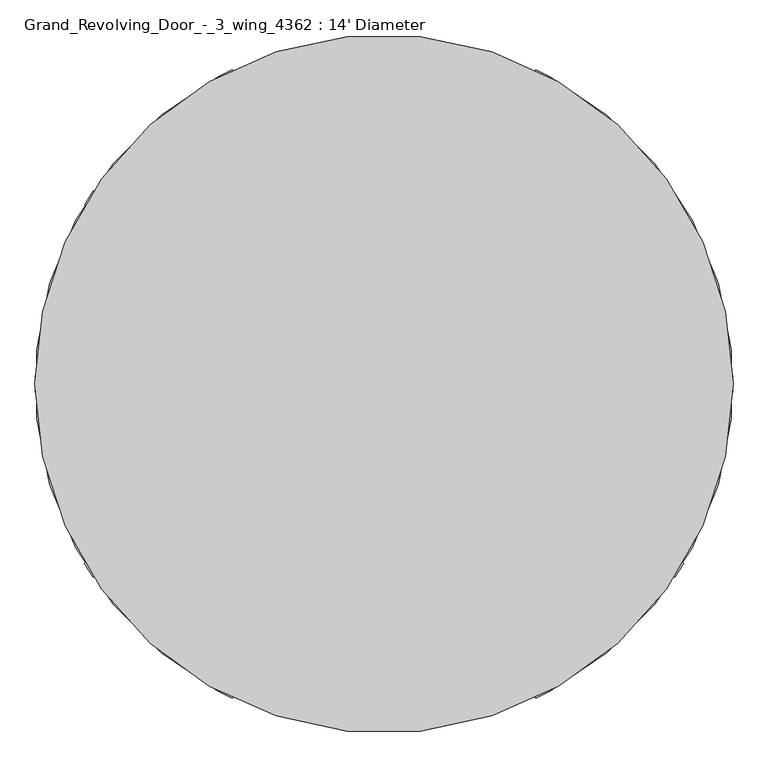
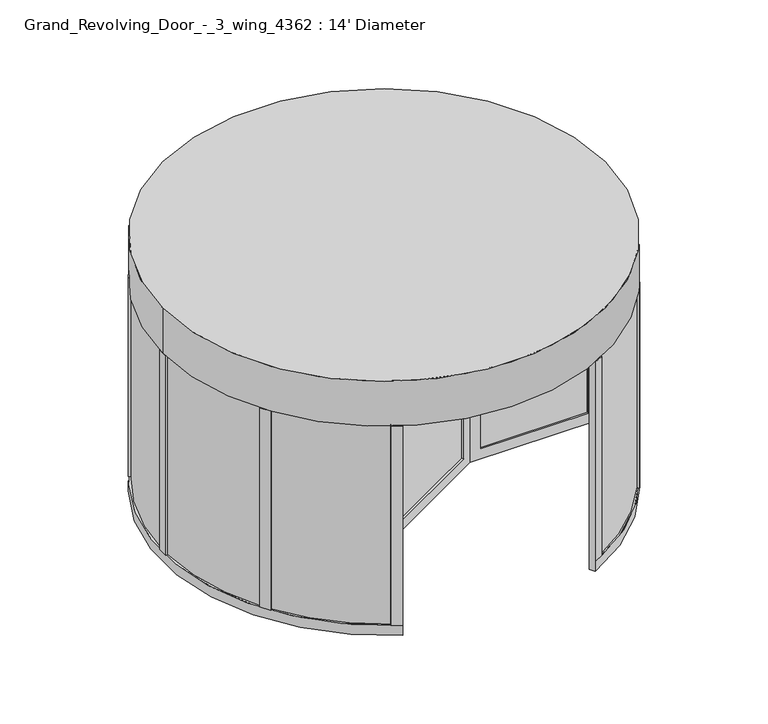
"""IFC4 building model written with IfcOpenShell, lengths in millimetres: proxy geometry, Grand_Revolving_Door_-_3_wing_4362 : 14' Diameter."""

from ifc_helpers import new_model, si_unit, point, frame, origin, origin_with_axes, origin_2d, place, context, project, spatial, polyline, circle_curve, trimmed, segment, composite_curve, outline, extrude, faceted_brep, source, transform, mapped, element, save
from ifc_brep_helpers import plane_surface, cylinder_surface, revolved_surface, advanced_brep


def grand_revolving_door_3_wing_4362_14_diameter_3c87c0e4(model_context):
    return source(origin(), model_context, "Body", "SolidModel", [
        faceted_brep([(-428.3186472, 589.4696588, 101.6), (-428.3186472, -589.3214482, 101.6), (-377.5186472, -589.3214482, 101.6), (-377.5186472, 589.4696588, 101.6), (-296.3363757, -665.6696588, 101.6), (724.6550229, -76.2, 101.6), (699.2550229, -32.2059095, 101.6), (-321.7363757, -621.6755683, 101.6), (724.6550229, 76.2, 101.6), (-296.3363757, 665.6696588, 101.6), (-321.7363757, 621.6755683, 101.6), (699.2550229, 32.2059095, 101.6), (-384.3245567, 716.4696588, 0.0), (812.6432039, 25.4, 0.0), (812.6432039, -25.4, 0.0), (-384.3245567, -716.4696588, 0.0), (-428.3186472, -691.0696588, 0.0), (-428.3186472, 691.0696588, 0.0), (-377.5186472, 653.8814778, 0.0), (-377.5186472, -653.8814778, 0.0), (755.0372944, 0.0, 0.0), (-428.3186472, 691.0696588, 2133.6), (-384.3245567, 716.4696588, 2133.6), (-428.3186472, -691.0696588, 2133.6), (-428.3186472, -589.3214482, 2133.6), (-428.3186472, 589.4696588, 2133.6), (-384.3245567, -716.4696588, 2133.6), (812.6432039, -25.4, 2133.6), (724.6550229, -76.2, 2133.6), (-296.3363757, -665.6696588, 2133.6), (812.6432039, 25.4, 2133.6), (-296.3363757, 665.6696588, 2133.6), (724.6550229, 76.2, 2133.6), (755.0372944, 0.0, 2133.6), (699.2550229, 32.2059095, 2133.6), (-321.7363757, 621.6755683, 2133.6), (-377.5186472, 653.8814778, 2133.6), (-377.5186472, -653.8814778, 2133.6), (-321.7363757, -621.6755683, 2133.6), (699.2550229, -32.2059095, 2133.6), (-377.5186472, 589.4696588, 2133.6), (-377.5186472, -589.3214482, 2133.6)], [[[0, 1, 2, 3]], [[4, 5, 6, 7]], [[8, 9, 10, 11]], [[12, 13, 14, 15, 16, 17], [18, 19, 20]], [[12, 17, 21, 22]], [[21, 17, 16, 23, 24, 1, 0, 25]], [[23, 16, 15, 26]], [[26, 15, 14, 27, 28, 5, 4, 29]], [[27, 14, 13, 30]], [[30, 13, 12, 22, 31, 9, 8, 32]], [[18, 20, 33, 34, 11, 10, 35, 36]], [[33, 20, 19, 37, 38, 7, 6, 39]], [[37, 19, 18, 36, 40, 3, 2, 41]], [[29, 38, 37, 41, 24, 23, 26]], [[39, 28, 27, 30, 32, 34, 33]], [[35, 31, 22, 21, 25, 40, 36]], [[38, 29, 4, 7]], [[24, 41, 2, 1]], [[28, 39, 6, 5]], [[34, 32, 8, 11]], [[31, 35, 10, 9]], [[40, 25, 0, 3]]]),
        advanced_brep(
        [(-479.1186472, -779.0578398, 101.6), (-999.8186472, -1680.9366953, 101.6), (-955.8245567, -1706.3366953, 101.6), (-435.1245567, -804.4578398, 101.6), (-384.3245567, -716.4696588, 0.0), (-1006.6245567, -1794.3248763, 0.0), (-1050.6186472, -1768.9248763, 0.0), (-428.3186472, -691.0696588, 0.0), (-428.3186472, -691.0696588, 2133.6), (-384.3245567, -716.4696588, 2133.6), (-1050.6186472, -1768.9248763, 101.6), (-1050.6186472, -1768.9248763, 2133.6), (-999.8186472, -1680.9366953, 2133.6), (-479.1186472, -779.0578398, 2133.6), (-1006.6245567, -1794.3248763, 101.6), (-435.1245567, -804.4578398, 2133.6), (-955.8245567, -1706.3366953, 2133.6), (-1006.6245567, -1794.3248763, 2133.6)],
        [
            (0, 1),
            (1, 2),
            (2, 3),
            (3, 0),
            (4, 5),
            (5, 6, circle_curve(frame((0.0, 0.0, 0.0), z_axis=(0.0, 0.0, -1.0), x_axis=(-0.5000000000000097, -0.8660254037844332, 0.0)), 2057.4)),
            (6, 7),
            (7, 4),
            (7, 8),
            (8, 9),
            (9, 4),
            (6, 10),
            (10, 11),
            (11, 12),
            (12, 1),
            (0, 13),
            (13, 8),
            (5, 14),
            (14, 10, circle_curve(frame((0.0, 0.0, 101.6), z_axis=(0.0, 0.0, -1.0), x_axis=(-0.5000000000000097, -0.8660254037844332, 0.0)), 2057.4)),
            (9, 15),
            (15, 3),
            (2, 16),
            (16, 17),
            (17, 14),
            (13, 15),
            (16, 12),
            (11, 17, circle_curve(frame((0.0, 0.0, 2133.6), z_axis=(0.0, 0.0, 1.0), x_axis=(1.0, 0.0, 0.0)), 2057.4)),
        ],
        [
            plane_surface(frame((-428.3186472, -691.0696588, 101.6), z_axis=(0.0, 0.0, 1.0), x_axis=(-0.8660254037844299, 0.5000000000000152, 0.0))),
            plane_surface(frame((-428.3186472, -691.0696588, 0.0), z_axis=(0.0, 0.0, -1.0), x_axis=(0.8660254037844299, -0.5000000000000152, 0.0))),
            plane_surface(frame((-384.3245567, -716.4696588, 101.6), z_axis=(0.5000000000000152, 0.8660254037844299, 0.0), x_axis=(0.0, 0.0, -1.0))),
            plane_surface(frame((-428.3186472, -691.0696588, 101.6), z_axis=(-0.86602540378443, 0.5000000000000151, 0.0), x_axis=(0.0, 0.0, -1.0))),
            cylinder_surface(frame((0.0, 0.0, 0.0), z_axis=(0.0, 0.0, 1.0), x_axis=(-0.5000000000000097, -0.8660254037844332, 0.0)), 2057.4),
            plane_surface(frame((-1006.6245567, -1794.3248763, 101.6), z_axis=(0.8660254037845383, -0.49999999999982747, 0.0), x_axis=(0.0, 0.0, -1.0))),
            plane_surface(frame((-1006.6245567, -1794.3248763, 2133.6), z_axis=(0.0, 0.0, 1.0000000000000002), x_axis=(0.5000000000005891, 0.8660254037840986, 0.0))),
            plane_surface(frame((-955.8245567, -1706.3366953, 2133.6), z_axis=(0.4999999999999209, 0.8660254037844844, 0.0), x_axis=(0.0, 0.0, -1.0))),
            cylinder_surface(frame((0.0, 0.0, 101.6), z_axis=(0.0, 0.0, 1.0), x_axis=(1.0, 0.0, 0.0)), 2057.4),
            plane_surface(frame((-479.1186472, -779.0578398, 2133.6), z_axis=(-0.49999999999994704, -0.8660254037844692, 0.0), x_axis=(0.0, 0.0, -1.0))),
        ],
        [
            (0, [[1, 2, 3, 4]]),
            (1, [[5, 6, 7, 8]]),
            (2, [[-8, 9, 10, 11]]),
            (3, [[-7, 12, 13, 14, 15, -1, 16, 17, -9]]),
            (4, [[-6, 18, 19, -12]]),
            (5, [[-5, -11, 20, 21, -3, 22, 23, 24, -18]]),
            (6, [[-10, -17, 25, -20]]),
            (6, [[-23, 26, -14, 27]]),
            (7, [[-26, -22, -2, -15]]),
            (8, [[-27, -13, -19, -24]]),
            (9, [[-25, -16, -4, -21]]),
        ],
    ),
        advanced_brep(
        [(-1050.6186472, 1768.9248763, 2133.6), (-999.8186472, 1680.9366953, 2133.6), (-955.8245567, 1706.3366953, 2133.6), (-1006.6245567, 1794.3248763, 2133.6), (-428.3186472, 691.0696588, 2133.6), (-384.3245567, 716.4696588, 2133.6), (-435.1245567, 804.4578398, 2133.6), (-479.1186472, 779.0578398, 2133.6), (-1050.6186472, 1768.9248763, 101.6), (-1050.6186472, 1768.9248763, 0.0), (-428.3186472, 691.0696588, 0.0), (-479.1186472, 779.0578398, 101.6), (-999.8186472, 1680.9366953, 101.6), (-955.8245567, 1706.3366953, 101.6), (-435.1245567, 804.4578398, 101.6), (-384.3245567, 716.4696588, 0.0), (-1006.6245567, 1794.3248763, 0.0), (-1006.6245567, 1794.3248763, 101.6)],
        [
            (0, 1),
            (1, 2),
            (2, 3),
            (3, 0, circle_curve(frame((0.0, 0.0, 2133.6), z_axis=(0.0, 0.0, 1.0), x_axis=(1.0, 0.0, 0.0)), 2057.4)),
            (4, 5),
            (5, 6),
            (6, 7),
            (7, 4),
            (0, 8),
            (8, 9),
            (9, 10),
            (10, 4),
            (7, 11),
            (11, 12),
            (12, 1),
            (12, 13),
            (13, 2),
            (13, 14),
            (14, 6),
            (5, 15),
            (15, 16),
            (16, 17),
            (17, 3),
            (17, 8, circle_curve(frame((0.0, 0.0, 101.6), z_axis=(0.0, 0.0, 1.0), x_axis=(1.0, 0.0, 0.0)), 2057.4)),
            (10, 15),
            (14, 11),
            (9, 16, circle_curve(frame((0.0, 0.0, 0.0), z_axis=(0.0, 0.0, -1.0), x_axis=(-0.4999999999999979, 0.8660254037844399, 0.0)), 2057.4)),
        ],
        [
            plane_surface(frame((-1006.6245567, -1794.3248763, 2133.6), z_axis=(0.0, 0.0, 1.0000000000000002), x_axis=(0.5000000000005891, 0.8660254037840986, 0.0))),
            plane_surface(frame((-1050.6186472, 1768.9248763, 2133.6), z_axis=(-0.8660254037844403, -0.49999999999999717, 0.0), x_axis=(0.0, 0.0, -1.0))),
            plane_surface(frame((-999.8186472, 1680.9366953, 2133.6), z_axis=(0.49999999999999617, -0.8660254037844408, 0.0), x_axis=(0.0, 0.0, -1.0))),
            plane_surface(frame((-955.8245567, 1706.3366953, 2133.6), z_axis=(0.8660254037844396, 0.4999999999999984, 0.0), x_axis=(0.0, 0.0, -1.0))),
            cylinder_surface(origin_with_axes(), 2057.4),
            plane_surface(frame((-428.3186472, 691.0696588, 2133.6), z_axis=(0.5000000000000174, -0.8660254037844286, 0.0), x_axis=(0.0, 0.0, -1.0))),
            plane_surface(frame((-435.1245567, 804.4578398, 2133.6), z_axis=(-0.5000000000000009, 0.8660254037844383, 0.0), x_axis=(0.0, 0.0, -1.0))),
            plane_surface(frame((-384.3245567, 716.4696588, 101.6), z_axis=(0.0, 0.0, 1.0), x_axis=(0.8660254037844407, 0.4999999999999965, 0.0))),
            plane_surface(frame((-384.3245567, 716.4696588, 0.0), z_axis=(0.0, 0.0, -1.0), x_axis=(-0.8660254037844407, -0.4999999999999965, 0.0))),
            cylinder_surface(frame((0.0, 0.0, 0.0), z_axis=(0.0, 0.0, 1.0), x_axis=(-0.4999999999999979, 0.8660254037844399, 0.0)), 2057.4),
        ],
        [
            (0, [[1, 2, 3, 4]]),
            (0, [[5, 6, 7, 8]]),
            (1, [[-1, 9, 10, 11, 12, -8, 13, 14, 15]]),
            (2, [[-2, -15, 16, 17]]),
            (3, [[-3, -17, 18, 19, -6, 20, 21, 22, 23]]),
            (4, [[-4, -23, 24, -9]]),
            (5, [[-20, -5, -12, 25]]),
            (6, [[-7, -19, 26, -13]]),
            (7, [[-14, -26, -18, -16]]),
            (8, [[-11, 27, -21, -25]]),
            (9, [[-27, -10, -24, -22]]),
        ],
    ),
        advanced_brep(
        [(2057.2432039, 25.4, 2133.6), (1955.6432039, 25.4, 2133.6), (1955.6432039, -25.4, 2133.6), (2057.2432039, -25.4, 2133.6), (812.6432039, 25.4, 2133.6), (812.6432039, -25.4, 2133.6), (914.2432039, -25.4, 2133.6), (914.2432039, 25.4, 2133.6), (2057.2432039, 25.4, 101.6), (2057.2432039, 25.4, 0.0), (812.6432039, 25.4, 0.0), (914.2432039, 25.4, 101.6), (1955.6432039, 25.4, 101.6), (1955.6432039, -25.4, 101.6), (914.2432039, -25.4, 101.6), (812.6432039, -25.4, 0.0), (2057.2432039, -25.4, 0.0), (2057.2432039, -25.4, 101.6)],
        [
            (0, 1),
            (1, 2),
            (2, 3),
            (3, 0, circle_curve(frame((0.0, 0.0, 2133.6), z_axis=(0.0, 0.0, 1.0), x_axis=(1.0, 0.0, 0.0)), 2057.4)),
            (4, 5),
            (5, 6),
            (6, 7),
            (7, 4),
            (0, 8),
            (8, 9),
            (9, 10),
            (10, 4),
            (7, 11),
            (11, 12),
            (12, 1),
            (12, 13),
            (13, 2),
            (13, 14),
            (14, 6),
            (5, 15),
            (15, 16),
            (16, 17),
            (17, 3),
            (17, 8, circle_curve(frame((0.0, 0.0, 101.6), z_axis=(0.0, 0.0, 1.0), x_axis=(1.0, 0.0, 0.0)), 2057.4)),
            (10, 15),
            (14, 11),
            (9, 16, circle_curve(frame((0.0, 0.0, 0.0), z_axis=(0.0, 0.0, -1.0), x_axis=(1.0, 0.0, 0.0)), 2057.4)),
        ],
        [
            plane_surface(frame((-1006.6245567, -1794.3248763, 2133.6), z_axis=(0.0, 0.0, 1.0000000000000002), x_axis=(0.5000000000005891, 0.8660254037840986, 0.0))),
            plane_surface(frame((2057.2432039, 25.4, 2133.6), z_axis=(0.0, 1.0, 0.0), x_axis=(0.0, 0.0, -1.0))),
            plane_surface(frame((1955.6432039, 25.4, 2133.6), z_axis=(-1.0, 0.0, 0.0), x_axis=(0.0, 0.0, -1.0))),
            plane_surface(frame((1955.6432039, -25.4, 2133.6), z_axis=(0.0, -1.0, 0.0), x_axis=(0.0, 0.0, -1.0))),
            cylinder_surface(origin_with_axes(), 2057.4),
            plane_surface(frame((812.6432039, 25.4, 2133.6), z_axis=(-1.0, 0.0, 0.0), x_axis=(0.0, 0.0, -1.0))),
            plane_surface(frame((914.2432039, -25.4, 2133.6), z_axis=(1.0, 0.0, 0.0), x_axis=(0.0, 0.0, -1.0))),
            plane_surface(frame((812.6432039, -25.4, 101.6), z_axis=(0.0, 0.0, 1.0), x_axis=(0.0, -1.0, 0.0))),
            plane_surface(frame((812.6432039, -25.4, 0.0), z_axis=(0.0, 0.0, -1.0), x_axis=(0.0, 1.0, 0.0))),
        ],
        [
            (0, [[1, 2, 3, 4]]),
            (0, [[5, 6, 7, 8]]),
            (1, [[-1, 9, 10, 11, 12, -8, 13, 14, 15]]),
            (2, [[-2, -15, 16, 17]]),
            (3, [[-3, -17, 18, 19, -6, 20, 21, 22, 23]]),
            (4, [[-4, -23, 24, -9]]),
            (5, [[-5, -12, 25, -20]]),
            (6, [[-7, -19, 26, -13]]),
            (7, [[-14, -26, -18, -16]]),
            (8, [[-11, 27, -21, -25]]),
            (4, [[-27, -10, -24, -22]]),
        ],
    ),
        advanced_brep(
        [(-990.5203955, -1821.74109, 101.6), (-990.5203955, 1821.74109, 101.6), (-1018.4988617, 1874.8090646, 101.6), (-1018.4988617, -1874.8090646, 101.6), (-926.9324012, -1921.7297634, 0.0), (-926.9324012, 1921.7297634, 0.0), (-900.8713732, 1867.6996605, 0.0), (-900.8713732, -1867.6996605, 0.0), (-900.8713732, -1867.6996605, 101.6), (-900.8713732, -1867.6996605, 2133.6), (-926.9324012, -1921.7297634, 2133.6), (-926.9324012, -1921.7297634, 101.6), (-900.8713732, 1867.6996605, 101.6), (-926.9324012, 1921.7297634, 101.6), (-926.9324012, 1921.7297634, 2133.6), (-900.8713732, 1867.6996605, 2133.6), (-1018.4988617, 1874.8090646, 2133.6), (-990.5203955, 1821.74109, 2133.6), (-990.5203955, -1821.74109, 2133.6), (-1018.4988617, -1874.8090646, 2133.6)],
        [
            (0, 1, circle_curve(frame((0.0, 0.0, 101.6), z_axis=(0.0, 0.0, -1.0), x_axis=(1.0, 0.0, 0.0)), 2073.6130914)),
            (1, 2),
            (2, 3, circle_curve(frame((0.0, 0.0, 101.6), z_axis=(0.0, 0.0, 1.0), x_axis=(1.0, 0.0, 0.0)), 2133.6)),
            (3, 0),
            (4, 5, circle_curve(frame((0.0, 0.0, 0.0), z_axis=(0.0, 0.0, -1.0), x_axis=(1.0, 0.0, 0.0)), 2133.6)),
            (5, 6),
            (6, 7, circle_curve(origin_with_axes(), 2073.6130914)),
            (7, 4),
            (7, 8),
            (8, 9),
            (9, 10),
            (10, 11),
            (11, 4),
            (6, 12),
            (12, 1, circle_curve(frame((0.0, 0.0, 101.6), z_axis=(0.0, 0.0, 1.0), x_axis=(1.0, 0.0, 0.0)), 2073.6130914)),
            (0, 8, circle_curve(frame((0.0, 0.0, 101.6), z_axis=(0.0, 0.0, 1.0), x_axis=(1.0, 0.0, 0.0)), 2073.6130914)),
            (5, 13),
            (13, 14),
            (14, 15),
            (15, 12),
            (11, 3, circle_curve(frame((0.0, 0.0, 101.6), z_axis=(0.0, 0.0, -1.0), x_axis=(1.0, 0.0, 0.0)), 2133.6)),
            (2, 13, circle_curve(frame((0.0, 0.0, 101.6), z_axis=(0.0, 0.0, -1.0), x_axis=(1.0, 0.0, 0.0)), 2133.6)),
            (14, 16, circle_curve(frame((0.0, 0.0, 2133.6), z_axis=(0.0, 0.0, 1.0), x_axis=(1.0, 0.0, 0.0)), 2133.6)),
            (16, 17),
            (17, 15, circle_curve(frame((0.0, 0.0, 2133.6), z_axis=(0.0, 0.0, -1.0), x_axis=(1.0, 0.0, 0.0)), 2073.6130914)),
            (9, 18, circle_curve(frame((0.0, 0.0, 2133.6), z_axis=(0.0, 0.0, -1.0), x_axis=(1.0, 0.0, 0.0)), 2073.6130914)),
            (18, 19),
            (19, 10, circle_curve(frame((0.0, 0.0, 2133.6), z_axis=(0.0, 0.0, 1.0), x_axis=(1.0, 0.0, 0.0)), 2133.6)),
            (0, 18),
            (3, 19),
            (2, 16),
            (1, 17),
        ],
        [
            plane_surface(frame((-900.8713732, -1867.6996605, 101.6), z_axis=(0.0, 0.0, 1.0), x_axis=(0.4344452574040756, 0.9006982393227526, 0.0))),
            plane_surface(frame((-900.8713732, -1867.6996605, 0.0), z_axis=(0.0, 0.0, -1.0), x_axis=(-0.4344452574040756, -0.9006982393227526, 0.0))),
            plane_surface(frame((-926.9324012, -1921.7297634, 101.6), z_axis=(0.9006982393227526, -0.4344452574040756, 0.0), x_axis=(0.0, 0.0, -1.0))),
            revolved_surface(polyline([(2073.6130914, 0.0, 0.0), (2073.6130914, 0.0, 101.6)]), (0.0, 0.0, 0.0), (0.0, 0.0, -1.0)),
            plane_surface(frame((-900.8713732, 1867.6996605, 101.6), z_axis=(0.9006982393225093, 0.4344452574045801, 0.0), x_axis=(0.0, 0.0, -1.0))),
            cylinder_surface(origin_with_axes(), 2133.6),
            plane_surface(frame((2073.6130914, 0.0, 2133.6), z_axis=(0.0, 0.0, 1.0), x_axis=(0.0, -1.0, 0.0))),
            revolved_surface(polyline([(2073.6130914, 0.0, 101.6), (2073.6130914, 0.0, 2133.6)]), (0.0, 0.0, 101.6), (0.0, 0.0, -1.0)),
            plane_surface(frame((-990.5203955, -1821.74109, 2133.6), z_axis=(-0.8845885586419875, 0.46637225680746813, 0.0), x_axis=(0.0, 0.0, -1.0))),
            cylinder_surface(frame((0.0, 0.0, 101.6), z_axis=(0.0, 0.0, 1.0), x_axis=(1.0, 0.0, 0.0)), 2133.6),
            plane_surface(frame((-1018.4988617, 1874.8090646, 2133.6), z_axis=(-0.884588558641862, -0.4663722568077061, 0.0), x_axis=(0.0, 0.0, -1.0))),
            revolved_surface(polyline([(2073.6130914, 0.0, 101.6), (2073.6130914, 0.0, 2133.6)]), (0.0, 0.0, 0.0), (0.0, 0.0, -1.0)),
        ],
        [
            (0, [[1, 2, 3, 4]]),
            (1, [[5, 6, 7, 8]]),
            (2, [[-8, 9, 10, 11, 12, 13]]),
            (3, [[-7, 14, 15, -1, 16, -9]]),
            (4, [[-6, 17, 18, 19, 20, -14]]),
            (5, [[-5, -13, 21, -3, 22, -17]]),
            (6, [[-19, 23, 24, 25]]),
            (6, [[26, 27, 28, -11]]),
            (7, [[-26, -10, -16, 29]]),
            (8, [[-27, -29, -4, 30]]),
            (9, [[-28, -30, -21, -12]]),
            (5, [[-23, -18, -22, 31]]),
            (10, [[-24, -31, -2, 32]]),
            (11, [[-25, -32, -15, -20]]),
        ],
    ),
        advanced_brep(
        [(990.5203955, 1821.74109, 101.6), (990.5203955, -1821.74109, 101.6), (1018.4988617, -1874.8090646, 101.6), (1018.4988617, 1874.8090646, 101.6), (926.9324012, 1921.7297634, 0.0), (926.9324012, -1921.7297634, 0.0), (900.8713732, -1867.6996605, 0.0), (900.8713732, 1867.6996605, 0.0), (900.8713732, 1867.6996605, 101.6), (900.8713732, 1867.6996605, 2133.6), (926.9324012, 1921.7297634, 2133.6), (926.9324012, 1921.7297634, 101.6), (900.8713732, -1867.6996605, 101.6), (926.9324012, -1921.7297634, 101.6), (926.9324012, -1921.7297634, 2133.6), (900.8713732, -1867.6996605, 2133.6), (1018.4988617, -1874.8090646, 2133.6), (990.5203955, -1821.74109, 2133.6), (990.5203955, 1821.74109, 2133.6), (1018.4988617, 1874.8090646, 2133.6)],
        [
            (0, 1, circle_curve(frame((0.0, 0.0, 101.6), z_axis=(0.0, 0.0, -1.0), x_axis=(1.0, 0.0, 0.0)), 2073.6130914)),
            (1, 2),
            (2, 3, circle_curve(frame((0.0, 0.0, 101.6), z_axis=(0.0, 0.0, 1.0), x_axis=(1.0, 0.0, 0.0)), 2133.6)),
            (3, 0),
            (4, 5, circle_curve(frame((0.0, 0.0, 0.0), z_axis=(0.0, 0.0, -1.0), x_axis=(1.0, 0.0, 0.0)), 2133.6)),
            (5, 6),
            (6, 7, circle_curve(origin_with_axes(), 2073.6130914)),
            (7, 4),
            (7, 8),
            (8, 9),
            (9, 10),
            (10, 11),
            (11, 4),
            (6, 12),
            (12, 1, circle_curve(frame((0.0, 0.0, 101.6), z_axis=(0.0, 0.0, 1.0), x_axis=(1.0, 0.0, 0.0)), 2073.6130914)),
            (0, 8, circle_curve(frame((0.0, 0.0, 101.6), z_axis=(0.0, 0.0, 1.0), x_axis=(1.0, 0.0, 0.0)), 2073.6130914)),
            (5, 13),
            (13, 14),
            (14, 15),
            (15, 12),
            (11, 3, circle_curve(frame((0.0, 0.0, 101.6), z_axis=(0.0, 0.0, -1.0), x_axis=(1.0, 0.0, 0.0)), 2133.6)),
            (2, 13, circle_curve(frame((0.0, 0.0, 101.6), z_axis=(0.0, 0.0, -1.0), x_axis=(1.0, 0.0, 0.0)), 2133.6)),
            (14, 16, circle_curve(frame((0.0, 0.0, 2133.6), z_axis=(0.0, 0.0, 1.0), x_axis=(1.0, 0.0, 0.0)), 2133.6)),
            (16, 17),
            (17, 15, circle_curve(frame((0.0, 0.0, 2133.6), z_axis=(0.0, 0.0, -1.0), x_axis=(1.0, 0.0, 0.0)), 2073.6130914)),
            (9, 18, circle_curve(frame((0.0, 0.0, 2133.6), z_axis=(0.0, 0.0, -1.0), x_axis=(1.0, 0.0, 0.0)), 2073.6130914)),
            (18, 19),
            (19, 10, circle_curve(frame((0.0, 0.0, 2133.6), z_axis=(0.0, 0.0, 1.0), x_axis=(1.0, 0.0, 0.0)), 2133.6)),
            (2, 16),
            (1, 17),
            (0, 18),
            (3, 19),
        ],
        [
            plane_surface(frame((-900.8713732, -1867.6996605, 101.6), z_axis=(0.0, 0.0, 1.0), x_axis=(0.4344452574040756, 0.9006982393227526, 0.0))),
            plane_surface(frame((-900.8713732, -1867.6996605, 0.0), z_axis=(0.0, 0.0, -1.0), x_axis=(-0.4344452574040756, -0.9006982393227526, 0.0))),
            plane_surface(frame((926.9324012, 1921.7297634, 101.6), z_axis=(-0.9006982393227515, 0.4344452574040779, 0.0), x_axis=(0.0, 0.0, -1.0))),
            revolved_surface(polyline([(2073.6130914, 0.0, 0.0), (2073.6130914, 0.0, 101.6)]), (0.0, 0.0, 0.0), (0.0, 0.0, -1.0)),
            plane_surface(frame((900.8713732, -1867.6996605, 101.6), z_axis=(-0.9006982393223231, -0.4344452574049661, 0.0), x_axis=(0.0, 0.0, -1.0))),
            cylinder_surface(origin_with_axes(), 2133.6),
            plane_surface(frame((2073.6130914, 0.0, 2133.6), z_axis=(0.0, 0.0, 1.0), x_axis=(0.0, -1.0, 0.0))),
            plane_surface(frame((1018.4988617, -1874.8090646, 2133.6), z_axis=(0.884588558638687, 0.4663722568137284, 0.0), x_axis=(0.0, 0.0, -1.0))),
            revolved_surface(polyline([(2073.6130914, 0.0, 101.6), (2073.6130914, 0.0, 2133.6)]), (0.0, 0.0, 0.0), (0.0, 0.0, -1.0)),
            plane_surface(frame((990.5203955, 1821.74109, 2133.6), z_axis=(0.8845885586385624, -0.4663722568139645, 0.0), x_axis=(0.0, 0.0, -1.0))),
        ],
        [
            (0, [[1, 2, 3, 4]]),
            (1, [[5, 6, 7, 8]]),
            (2, [[-8, 9, 10, 11, 12, 13]]),
            (3, [[-7, 14, 15, -1, 16, -9]]),
            (4, [[-6, 17, 18, 19, 20, -14]]),
            (5, [[-5, -13, 21, -3, 22, -17]]),
            (6, [[-19, 23, 24, 25]]),
            (6, [[26, 27, 28, -11]]),
            (5, [[-23, -18, -22, 29]]),
            (7, [[-24, -29, -2, 30]]),
            (8, [[-25, -30, -15, -20]]),
            (8, [[-26, -10, -16, 31]]),
            (9, [[-27, -31, -4, 32]]),
            (5, [[-28, -32, -21, -12]]),
        ],
    ),
        extrude(outline(polyline([(-479.1186472, 779.0578398), (-999.8186472, 1680.9366953), (-955.8245567, 1706.3366953), (-435.1245567, 804.4578398), (-479.1186472, 779.0578398)])), frame((0.0, 0.0, 914.4), z_axis=(0.0, 0.0, 1.0), x_axis=(1.0, 0.0, 0.0)), (0.0, 0.0, 1.0), 101.6),
        extrude(outline(polyline([(-435.1245567, -804.4578398), (-955.8245567, -1706.3366953), (-999.8186472, -1680.9366953), (-479.1186472, -779.0578398), (-435.1245567, -804.4578398)])), frame((0.0, 0.0, 914.4), z_axis=(0.0, 0.0, 1.0), x_axis=(1.0, 0.0, 0.0)), (0.0, 0.0, 1.0), 101.6),
        extrude(outline(polyline([(914.2432039, 25.4), (1955.6432039, 25.4), (1955.6432039, -25.4), (914.2432039, -25.4), (914.2432039, 25.4)])), frame((0.0, 0.0, 914.4), z_axis=(0.0, 0.0, 1.0), x_axis=(1.0, 0.0, 0.0)), (0.0, 0.0, 1.0), 101.6),
        faceted_brep([(-60.0427708, 103.9971296, 609.6), (-60.0427708, -103.9971296, 609.6), (120.0855415, 0.0, 609.6), (-377.5186472, 653.8814778, 0.0), (755.0372944, 0.0, 0.0), (-377.5186472, -653.8814778, 0.0)], [[[0, 1, 2]], [[3, 4, 5]], [[3, 5, 1, 0]], [[5, 4, 2, 1]], [[4, 3, 0, 2]]]),
        extrude(outline(composite_curve([segment(trimmed(circle_curve(origin_2d(), 50.8), [point((-50.8, 0.0))], [point((50.8, 0.0))], False, "CARTESIAN"), True, "CONTINUOUS"), segment(trimmed(circle_curve(origin_2d(), 50.8), [point((50.8, 0.0))], [point((-50.8, 0.0))], False, "CARTESIAN"), True, "CONTINUOUS")], self_intersect=False)), frame((0.0, 0.0, 609.6), z_axis=(0.0, 0.0, 1.0), x_axis=(1.0, 0.0, 0.0)), (0.0, 0.0, 1.0), 1524.0),
        extrude(outline(polyline([(-972.3223406, 1696.8116953), (-451.6223406, 794.9328398), (-462.6208633, 788.5828398), (-983.3208633, 1690.4616953), (-972.3223406, 1696.8116953)])), frame((0.0, 0.0, 101.6), z_axis=(0.0, 0.0, 1.0), x_axis=(1.0, 0.0, 0.0)), (0.0, 0.0, 1.0), 2032.0),
        extrude(outline(polyline([(708.7800229, 48.7036934), (-312.2113757, 638.1733522), (-305.8613757, 649.1718748), (715.1300229, 59.7022161), (708.7800229, 48.7036934)])), frame((0.0, 0.0, 101.6), z_axis=(0.0, 0.0, 1.0), x_axis=(1.0, 0.0, 0.0)), (0.0, 0.0, 1.0), 2032.0),
        extrude(outline(polyline([(-396.5686472, 589.4696588), (-396.5686472, -589.3214482), (-409.2686472, -589.3214482), (-409.2686472, 589.4696588), (-396.5686472, 589.4696588)])), frame((0.0, 0.0, 101.6), z_axis=(0.0, 0.0, 1.0), x_axis=(1.0, 0.0, 0.0)), (0.0, 0.0, 1.0), 2032.0),
        extrude(outline(polyline([(-312.2113757, -638.1733522), (708.7800229, -48.7036934), (715.1300229, -59.7022161), (-305.8613757, -649.1718748), (-312.2113757, -638.1733522)])), frame((0.0, 0.0, 101.6), z_axis=(0.0, 0.0, 1.0), x_axis=(1.0, 0.0, 0.0)), (0.0, 0.0, 1.0), 2032.0),
        extrude(outline(polyline([(1955.6432039, -6.35), (914.2432039, -6.35), (914.2432039, 6.35), (1955.6432039, 6.35), (1955.6432039, -6.35)])), frame((0.0, 0.0, 101.6), z_axis=(0.0, 0.0, 1.0), x_axis=(1.0, 0.0, 0.0)), (0.0, 0.0, 1.0), 2032.0),
        extrude(outline(polyline([(-983.3208633, -1690.4616953), (-462.6208633, -788.5828398), (-451.6223406, -794.9328398), (-972.3223406, -1696.8116953), (-983.3208633, -1690.4616953)])), frame((0.0, 0.0, 101.6), z_axis=(0.0, 0.0, 1.0), x_axis=(1.0, 0.0, 0.0)), (0.0, 0.0, 1.0), 2032.0),
        extrude(outline(composite_curve([segment(trimmed(circle_curve(origin_2d(), 2114.55), [point((-1761.7204786, 1169.4711017))], [point((-1009.6137738, 1857.9563316))], False, "CARTESIAN"), True, "CONTINUOUS"), segment(polyline([(-1009.6137738, 1857.9563316), (-999.7455382, 1839.2388196)]), True, "CONTINUOUS"), segment(trimmed(circle_curve(origin_2d(), 2093.3921221), [point((-999.7455382, 1839.2388196))], [point((-1744.5929149, 1157.0160493))], True, "CARTESIAN"), True, "CONTINUOUS"), segment(polyline([(-1744.5929149, 1157.0160493), (-1761.7204786, 1169.4711017)]), True, "CONTINUOUS")], self_intersect=False)), frame((0.0, 0.0, 101.6), z_axis=(0.0, 0.0, 1.0), x_axis=(1.0, 0.0, 0.0)), (0.0, 0.0, 1.0), 2032.0),
        extrude(outline(composite_curve([segment(trimmed(circle_curve(origin_2d(), 2093.3921221), [point((-1744.3467734, -1157.3871051))], [point((-999.7455382, -1839.2388196))], True, "CARTESIAN"), True, "CONTINUOUS"), segment(polyline([(-999.7455382, -1839.2388196), (-1009.6137738, -1857.9563316)]), True, "CONTINUOUS"), segment(trimmed(circle_curve(origin_2d(), 2114.55), [point((-1009.6137738, -1857.9563316))], [point((-1761.2106421, -1170.2387691))], False, "CARTESIAN"), True, "CONTINUOUS"), segment(polyline([(-1761.2106421, -1170.2387691), (-1744.3467734, -1157.3871051)]), True, "CONTINUOUS")], self_intersect=False)), frame((0.0, 0.0, 101.6), z_axis=(0.0, 0.0, 1.0), x_axis=(1.0, 0.0, 0.0)), (0.0, 0.0, 1.0), 2032.0),
        extrude(outline(composite_curve([segment(trimmed(circle_curve(origin_2d(), 2114.55), [point((1761.7204786, -1169.4711017))], [point((1009.6137738, -1857.9563316))], False, "CARTESIAN"), True, "CONTINUOUS"), segment(polyline([(1009.6137738, -1857.9563316), (999.7455382, -1839.2388196)]), True, "CONTINUOUS"), segment(trimmed(circle_curve(origin_2d(), 2093.3921221), [point((999.7455382, -1839.2388196))], [point((1744.5929149, -1157.0160493))], True, "CARTESIAN"), True, "CONTINUOUS"), segment(polyline([(1744.5929149, -1157.0160493), (1761.7204786, -1169.4711017)]), True, "CONTINUOUS")], self_intersect=False)), frame((0.0, 0.0, 101.6), z_axis=(0.0, 0.0, 1.0), x_axis=(1.0, 0.0, 0.0)), (0.0, 0.0, 1.0), 2032.0),
        extrude(outline(composite_curve([segment(trimmed(circle_curve(origin_2d(), 2093.3921221), [point((1746.9182068, 1153.5022131))], [point((999.7455382, 1839.2388196))], True, "CARTESIAN"), True, "CONTINUOUS"), segment(polyline([(999.7455382, 1839.2388196), (1009.6137738, 1857.9563316)]), True, "CONTINUOUS"), segment(trimmed(circle_curve(origin_2d(), 2114.55), [point((1009.6137738, 1857.9563316))], [point((1766.5280786, 1162.1963044))], False, "CARTESIAN"), True, "CONTINUOUS"), segment(polyline([(1766.5280786, 1162.1963044), (1746.9182068, 1153.5022131)]), True, "CONTINUOUS")], self_intersect=False)), frame((0.0, 0.0, 101.6), z_axis=(0.0, 0.0, 1.0), x_axis=(1.0, 0.0, 0.0)), (0.0, 0.0, 1.0), 2032.0),
        extrude(outline(composite_curve([segment(trimmed(circle_curve(origin_2d(), 2114.55), [point((-2113.9397017, 50.8))], [point((-1814.9631765, 1085.0024748))], False, "CARTESIAN"), True, "CONTINUOUS"), segment(polyline([(-1814.9631765, 1085.0024748), (-1801.80887, 1074.5641656)]), True, "CONTINUOUS"), segment(trimmed(circle_curve(origin_2d(), 2097.904514), [point((-1801.80887, 1074.5641656))], [point((-2097.289372, 50.8))], True, "CARTESIAN"), True, "CONTINUOUS"), segment(polyline([(-2097.289372, 50.8), (-2113.9397017, 50.8)]), True, "CONTINUOUS")], self_intersect=False)), frame((0.0, 0.0, 101.6), z_axis=(0.0, 0.0, 1.0), x_axis=(1.0, 0.0, 0.0)), (0.0, 0.0, 1.0), 2032.0),
        extrude(outline(composite_curve([segment(trimmed(circle_curve(origin_2d(), 2114.55), [point((-1815.2766145, -1084.4779921))], [point((-2113.9397017, -50.8))], False, "CARTESIAN"), True, "CONTINUOUS"), segment(polyline([(-2113.9397017, -50.8), (-2093.8819843, -50.8)]), True, "CONTINUOUS"), segment(trimmed(circle_curve(origin_2d(), 2094.4981271), [point((-2093.8819843, -50.8))], [point((-1799.2763241, -1072.1600225))], True, "CARTESIAN"), True, "CONTINUOUS"), segment(polyline([(-1799.2763241, -1072.1600225), (-1815.2766145, -1084.4779921)]), True, "CONTINUOUS")], self_intersect=False)), frame((0.0, 0.0, 101.6), z_axis=(0.0, 0.0, 1.0), x_axis=(1.0, 0.0, 0.0)), (0.0, 0.0, 1.0), 2032.0),
        extrude(outline(composite_curve([segment(trimmed(circle_curve(origin_2d(), 2114.55), [point((2113.9397017, -50.8))], [point((1815.7492393, -1083.6864872))], False, "CARTESIAN"), True, "CONTINUOUS"), segment(polyline([(1815.7492393, -1083.6864872), (1801.5473905, -1073.248178)]), True, "CONTINUOUS"), segment(trimmed(circle_curve(origin_2d(), 2097.0061163), [point((1801.5473905, -1073.248178))], [point((2096.3907107, -50.8))], True, "CARTESIAN"), True, "CONTINUOUS"), segment(polyline([(2096.3907107, -50.8), (2113.9397017, -50.8)]), True, "CONTINUOUS")], self_intersect=False)), frame((0.0, 0.0, 101.6), z_axis=(0.0, 0.0, 1.0), x_axis=(1.0, 0.0, 0.0)), (0.0, 0.0, 1.0), 2032.0),
        extrude(outline(composite_curve([segment(trimmed(circle_curve(origin_2d(), 2114.55), [point((1820.5545921, 1075.5941054))], [point((2113.9397017, 50.8))], False, "CARTESIAN"), True, "CONTINUOUS"), segment(polyline([(2113.9397017, 50.8), (2095.4549107, 50.8)]), True, "CONTINUOUS"), segment(trimmed(circle_curve(origin_2d(), 2096.0705911), [point((2095.4549107, 50.8))], [point((1803.42702, 1068.2522672))], True, "CARTESIAN"), True, "CONTINUOUS"), segment(polyline([(1803.42702, 1068.2522672), (1820.5545921, 1075.5941054)]), True, "CONTINUOUS")], self_intersect=False)), frame((0.0, 0.0, 101.6), z_axis=(0.0, 0.0, 1.0), x_axis=(1.0, 0.0, 0.0)), (0.0, 0.0, 1.0), 2032.0),
        extrude(outline(composite_curve([segment(trimmed(circle_curve(origin_2d(), 2073.6130914), [point((-1782.6088979, -1059.3284523))], [point((-1728.5812533, -1145.3724737))], True, "CARTESIAN"), True, "CONTINUOUS"), segment(polyline([(-1728.5812533, -1145.3724737), (-1776.3938214, -1181.8096088)]), True, "CONTINUOUS"), segment(trimmed(circle_curve(origin_2d(), 2133.6), [point((-1776.3938214, -1181.8096088))], [point((-1830.4755037, -1096.1789956))], False, "CARTESIAN"), True, "CONTINUOUS"), segment(polyline([(-1830.4755037, -1096.1789956), (-1782.6088979, -1059.3284523)]), True, "CONTINUOUS")], self_intersect=False)), frame((0.0, 0.0, 101.6), z_axis=(0.0, 0.0, 1.0), x_axis=(1.0, 0.0, 0.0)), (0.0, 0.0, 1.0), 2032.0),
        extrude(outline(composite_curve([segment(trimmed(circle_curve(origin_2d(), 2073.6130914), [point((-1728.5812533, 1145.3724737))], [point((-1782.6088979, 1059.3284523))], True, "CARTESIAN"), True, "CONTINUOUS"), segment(polyline([(-1782.6088979, 1059.3284523), (-1830.0154443, 1096.9468691)]), True, "CONTINUOUS"), segment(trimmed(circle_curve(origin_2d(), 2133.6), [point((-1830.0154443, 1096.9468691))], [point((-1777.1414211, 1180.6851102))], False, "CARTESIAN"), True, "CONTINUOUS"), segment(polyline([(-1777.1414211, 1180.6851102), (-1728.5812533, 1145.3724737)]), True, "CONTINUOUS")], self_intersect=False)), frame((0.0, 0.0, 101.6), z_axis=(0.0, 0.0, 1.0), x_axis=(1.0, 0.0, 0.0)), (0.0, 0.0, 1.0), 2032.0),
        extrude(outline(composite_curve([segment(trimmed(circle_curve(origin_2d(), 2126.0036093), [point((1777.1414211, 1166.9017594))], [point((1831.1690657, 1080.1440643))], False, "CARTESIAN"), True, "CONTINUOUS"), segment(polyline([(1831.1690657, 1080.1440643), (1782.6088979, 1059.3284523)]), True, "CONTINUOUS"), segment(trimmed(circle_curve(origin_2d(), 2073.6130914), [point((1782.6088979, 1059.3284523))], [point((1728.5812533, 1145.3724737))], True, "CARTESIAN"), True, "CONTINUOUS"), segment(polyline([(1728.5812533, 1145.3724737), (1777.1414211, 1166.9017594)]), True, "CONTINUOUS")], self_intersect=False)), frame((0.0, 0.0, 101.6), z_axis=(0.0, 0.0, 1.0), x_axis=(1.0, 0.0, 0.0)), (0.0, 0.0, 1.0), 2032.0),
        extrude(outline(composite_curve([segment(trimmed(circle_curve(origin_2d(), 2133.6), [point((1831.1690657, -1095.0200057))], [point((1777.1414211, -1180.6851102))], False, "CARTESIAN"), True, "CONTINUOUS"), segment(polyline([(1777.1414211, -1180.6851102), (1728.5812533, -1145.3724737)]), True, "CONTINUOUS"), segment(trimmed(circle_curve(origin_2d(), 2073.6130914), [point((1728.5812533, -1145.3724737))], [point((1782.6088979, -1059.3284523))], True, "CARTESIAN"), True, "CONTINUOUS"), segment(polyline([(1782.6088979, -1059.3284523), (1831.1690657, -1095.0200057)]), True, "CONTINUOUS")], self_intersect=False)), frame((0.0, 0.0, 101.6), z_axis=(0.0, 0.0, 1.0), x_axis=(1.0, 0.0, 0.0)), (0.0, 0.0, 1.0), 2032.0),
        extrude(outline(composite_curve([segment(trimmed(circle_curve(origin_2d(), 2073.6130914), [point((-2072.9907411, 50.8))], [point((-2072.9907411, -50.8))], True, "CARTESIAN"), True, "CONTINUOUS"), segment(polyline([(-2072.9907411, -50.8), (-2132.9951524, -50.8)]), True, "CONTINUOUS"), segment(trimmed(circle_curve(origin_2d(), 2133.6), [point((-2132.9951524, -50.8))], [point((-2132.9951524, 50.8))], False, "CARTESIAN"), True, "CONTINUOUS"), segment(polyline([(-2132.9951524, 50.8), (-2072.9907411, 50.8)]), True, "CONTINUOUS")], self_intersect=False)), frame((0.0, 0.0, 101.6), z_axis=(0.0, 0.0, 1.0), x_axis=(1.0, 0.0, 0.0)), (0.0, 0.0, 1.0), 2032.0),
        extrude(outline(composite_curve([segment(polyline([(2072.9907411, 50.8), (2132.9951524, 50.8)]), True, "CONTINUOUS"), segment(trimmed(circle_curve(origin_2d(), 2133.6), [point((2132.9951524, 50.8))], [point((2132.9951524, -50.8))], False, "CARTESIAN"), True, "CONTINUOUS"), segment(polyline([(2132.9951524, -50.8), (2072.9907411, -50.8)]), True, "CONTINUOUS"), segment(trimmed(circle_curve(origin_2d(), 2073.6130914), [point((2072.9907411, -50.8))], [point((2072.9907411, 50.8))], True, "CARTESIAN"), True, "CONTINUOUS")], self_intersect=False)), frame((0.0, 0.0, 101.6), z_axis=(0.0, 0.0, 1.0), x_axis=(1.0, 0.0, 0.0)), (0.0, 0.0, 1.0), 2032.0),
        extrude(outline(composite_curve([segment(trimmed(circle_curve(origin_2d(), 2133.6), [point((-2133.6, 0.0))], [point((2133.6, 0.0))], False, "CARTESIAN"), True, "CONTINUOUS"), segment(trimmed(circle_curve(origin_2d(), 2133.6), [point((2133.6, 0.0))], [point((-2133.6, 0.0))], False, "CARTESIAN"), True, "CONTINUOUS")], self_intersect=False)), frame((0.0, 0.0, 2133.6), z_axis=(0.0, 0.0, 1.0), x_axis=(1.0, 0.0, 0.0)), (0.0, 0.0, 1.0), 457.2),
    ])


if __name__ == "__main__":
    model = new_model("IFC4")
    model_context = context("Model", 3, world=origin())
    ifc_project = project(units=[si_unit("LENGTHUNIT", "METRE", prefix="MILLI")], contexts=[model_context])
    site = spatial("IfcSite", under=ifc_project)
    building = spatial("IfcBuilding", under=site)
    placement = place(None, origin())
    grand_revolving_door_3_wing_4362_14_diameter_shape = grand_revolving_door_3_wing_4362_14_diameter_3c87c0e4(model_context)
    element("IfcBuildingElementProxy", 1, Name="Grand_Revolving_Door_-_3_wing_4362 : 14' Diameter", ObjectType="Grand_Revolving_Door_-_3_wing_4362 : 14' Diameter", at=placement, inside=building, context=model_context, shape_type="MappedRepresentation", body=[
        mapped(grand_revolving_door_3_wing_4362_14_diameter_shape, transform((0.0, 0.0, 0.0), x_axis=(1.0, 0.0, 0.0), y_axis=(0.0, 1.0, 0.0), z_axis=(0.0, 0.0, 1.0))),
    ])
    save(model, "model.ifc")
